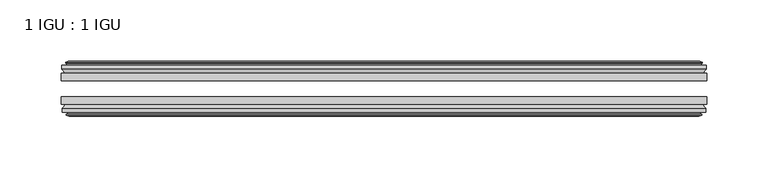
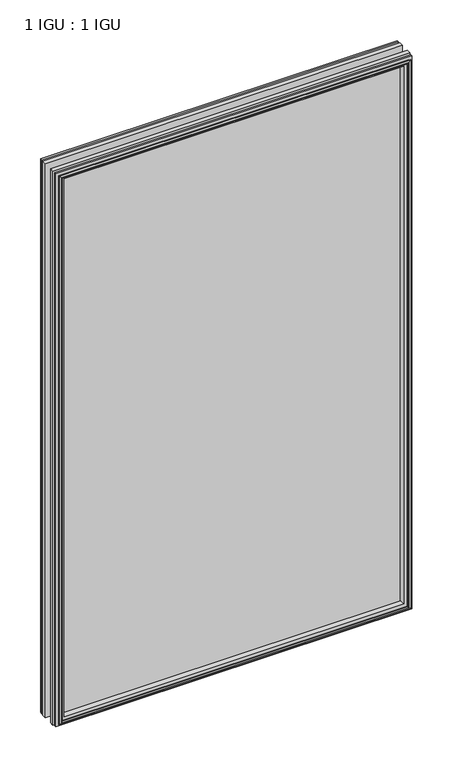
"""IFC4 building model written with IfcOpenShell, lengths in millimetres: plate geometry, 1 IGU : 1 IGU."""

from ifc_helpers import new_model, si_unit, frame, origin, place, context, project, spatial, polyline, outline, extrude, faceted_brep, source, transform, mapped, element, save


def plate_1_igu_1_igu_16c685db(model_context):
    return source(origin(), model_context, "Body", "SolidModel", [
        extrude(outline(polyline([(263.5317469, -25.8960937), (263.5317469, -32.2460938), (-263.5317469, -32.2460938), (-263.5317469, -25.8960937), (263.5317469, -25.8960937)])), frame((0.0, 0.0, -12.7), z_axis=(0.0, 0.0, 1.0), x_axis=(1.0, 0.0, 0.0)), (0.0, 0.0, 1.0), 863.6),
        extrude(outline(polyline([(-263.5317469, -51.2960938), (-263.5317469, -45.2686737), (263.5317469, -45.2686737), (263.5317469, -51.2960938), (-263.5317469, -51.2960938)])), frame((0.0, 0.0, -12.7), z_axis=(0.0, 0.0, 1.0), x_axis=(1.0, 0.0, 0.0)), (0.0, 0.0, 1.0), 863.6),
        faceted_brep([(-257.9437469, -60.0262907, 845.312), (-258.3247469, -57.6460937, 845.693), (-258.3247469, -57.6460937, -7.493), (-257.9437469, -60.0262907, -7.112), (-259.3592759, -59.5663575, 846.7275291), (-259.3592759, -59.5663575, -8.5275291), (-259.3592759, -60.3675717, 846.7275291), (-259.3592759, -60.3675717, -8.5275291), (-257.1817469, -61.0750937, 844.55), (-257.1817469, -61.0750937, -6.35), (-255.0042178, -60.3675717, 842.3724709), (-255.0042178, -60.3675717, -4.1724709), (-255.0042178, -59.5663575, 842.3724709), (-255.0042178, -59.5663575, -4.1724709), (-256.4197469, -60.0262907, 843.788), (-256.4197469, -60.0262907, -5.588), (-256.0387469, -57.6460937, 843.407), (-256.0387469, -57.6460937, -5.207), (-249.1140288, -51.2960937, 836.4822819), (-250.8317469, -57.6460937, 838.2), (-250.8317469, -57.6460937, 0.0), (-249.1140288, -51.2960937, 1.7177181), (-262.7697469, -54.6996937, 850.138), (-259.9354047, -51.2960937, 847.3036578), (-259.9354047, -51.2960937, -9.1036578), (-262.7697469, -54.6996937, -11.938), (-262.7697469, -57.6460937, 850.138), (-262.7697469, -57.6460937, -11.938), (258.3247469, -57.6460938, -7.493), (257.9437469, -60.0262907, -7.112), (259.3592759, -59.5663575, -8.5275291), (259.3592759, -60.3675717, -8.5275291), (257.1817469, -61.0750937, -6.35), (255.0042178, -60.3675717, -4.1724709), (255.0042178, -59.5663575, -4.1724709), (256.4197469, -60.0262907, -5.588), (256.0387469, -57.6460937, -5.207), (250.8317469, -57.6460937, 0.0), (249.1140288, -51.2960937, 1.7177181), (259.9354047, -51.2960937, -9.1036578), (262.7697469, -54.6996937, -11.938), (262.7697469, -57.6460938, -11.938), (258.3247469, -57.6460938, 845.693), (257.9437469, -60.0262907, 845.312), (259.3592759, -59.5663575, 846.7275291), (259.3592759, -60.3675717, 846.7275291), (257.1817469, -61.0750937, 844.55), (255.0042178, -60.3675717, 842.3724709), (255.0042178, -59.5663575, 842.3724709), (256.4197469, -60.0262907, 843.788), (256.0387469, -57.6460937, 843.407), (250.8317469, -57.6460937, 838.2), (249.1140288, -51.2960937, 836.4822819), (259.9354047, -51.2960937, 847.3036578), (262.7697469, -54.6996937, 850.138), (262.7697469, -57.6460938, 850.138)], [[[0, 1, 2, 3]], [[4, 0, 3, 5]], [[6, 4, 5, 7]], [[8, 6, 7, 9]], [[10, 8, 9, 11]], [[12, 10, 11, 13]], [[14, 12, 13, 15]], [[16, 14, 15, 17]], [[18, 19, 20, 21]], [[22, 23, 24, 25]], [[26, 22, 25, 27]], [[3, 2, 28, 29]], [[5, 3, 29, 30]], [[7, 5, 30, 31]], [[9, 7, 31, 32]], [[11, 9, 32, 33]], [[13, 11, 33, 34]], [[15, 13, 34, 35]], [[17, 15, 35, 36]], [[21, 20, 37, 38]], [[25, 24, 39, 40]], [[27, 25, 40, 41]], [[29, 28, 42, 43]], [[30, 29, 43, 44]], [[31, 30, 44, 45]], [[32, 31, 45, 46]], [[33, 32, 46, 47]], [[34, 33, 47, 48]], [[35, 34, 48, 49]], [[36, 35, 49, 50]], [[38, 37, 51, 52]], [[40, 39, 53, 54]], [[41, 40, 54, 55]], [[27, 41, 55, 26], [1, 42, 28, 2]], [[43, 42, 1, 0]], [[44, 43, 0, 4]], [[45, 44, 4, 6]], [[46, 45, 6, 8]], [[47, 46, 8, 10]], [[48, 47, 10, 12]], [[49, 48, 12, 14]], [[50, 49, 14, 16]], [[17, 36, 50, 16], [19, 51, 37, 20]], [[52, 51, 19, 18]], [[23, 53, 39, 24], [21, 38, 52, 18]], [[54, 53, 23, 22]], [[55, 54, 22, 26]]]),
        faceted_brep([(-260.4561047, -25.8960937, 847.8243578), (-263.2904469, -22.4924937, 850.6587), (-263.2904469, -22.4924937, -12.4587), (-260.4561047, -25.8960937, -9.6243578), (-251.3524469, -19.5460937, 838.7207), (-249.6347288, -25.8960937, 837.0029819), (-249.6347288, -25.8960937, 1.1970181), (-251.3524469, -19.5460937, -0.5207), (-256.9404469, -17.1658968, 844.3087), (-256.5594469, -19.5460937, 843.9277), (-256.5594469, -19.5460937, -5.7277), (-256.9404469, -17.1658968, -6.1087), (-255.5249178, -17.62583, 842.8931709), (-255.5249178, -17.62583, -4.6931709), (-255.5249178, -16.8246158, 842.8931709), (-255.5249178, -16.8246158, -4.6931709), (-257.7024469, -16.1170937, 845.0707), (-257.7024469, -16.1170937, -6.8707), (-259.8799759, -16.8246158, 847.2482291), (-259.8799759, -16.8246158, -9.0482291), (-259.8799759, -17.62583, 847.2482291), (-259.8799759, -17.62583, -9.0482291), (-258.4644469, -17.1658968, 845.8327), (-258.4644469, -17.1658968, -7.6327), (-258.8454469, -19.5460937, 846.2137), (-258.8454469, -19.5460937, -8.0137), (-263.2904469, -19.5460937, 850.6587), (-263.2904469, -19.5460937, -12.4587), (263.2904469, -22.4924937, -12.4587), (260.4561047, -25.8960937, -9.6243578), (249.6347288, -25.8960937, 1.1970181), (251.3524469, -19.5460937, -0.5207), (256.5594469, -19.5460937, -5.7277), (256.9404469, -17.1658968, -6.1087), (255.5249178, -17.62583, -4.6931709), (255.5249178, -16.8246158, -4.6931709), (257.7024469, -16.1170937, -6.8707), (259.8799759, -16.8246158, -9.0482291), (259.8799759, -17.62583, -9.0482291), (258.4644469, -17.1658968, -7.6327), (258.8454469, -19.5460937, -8.0137), (263.2904469, -19.5460937, -12.4587), (263.2904469, -22.4924937, 850.6587), (260.4561047, -25.8960937, 847.8243578), (249.6347288, -25.8960937, 837.0029819), (251.3524469, -19.5460937, 838.7207), (256.5594469, -19.5460937, 843.9277), (256.9404469, -17.1658968, 844.3087), (255.5249178, -17.62583, 842.8931709), (255.5249178, -16.8246158, 842.8931709), (257.7024469, -16.1170937, 845.0707), (259.8799759, -16.8246158, 847.2482291), (259.8799759, -17.62583, 847.2482291), (258.4644469, -17.1658968, 845.8327), (258.8454469, -19.5460937, 846.2137), (263.2904469, -19.5460937, 850.6587)], [[[0, 1, 2, 3]], [[4, 5, 6, 7]], [[8, 9, 10, 11]], [[12, 8, 11, 13]], [[14, 12, 13, 15]], [[16, 14, 15, 17]], [[18, 16, 17, 19]], [[20, 18, 19, 21]], [[22, 20, 21, 23]], [[24, 22, 23, 25]], [[1, 26, 27, 2]], [[3, 2, 28, 29]], [[7, 6, 30, 31]], [[11, 10, 32, 33]], [[13, 11, 33, 34]], [[15, 13, 34, 35]], [[17, 15, 35, 36]], [[19, 17, 36, 37]], [[21, 19, 37, 38]], [[23, 21, 38, 39]], [[25, 23, 39, 40]], [[2, 27, 41, 28]], [[29, 28, 42, 43]], [[31, 30, 44, 45]], [[33, 32, 46, 47]], [[34, 33, 47, 48]], [[35, 34, 48, 49]], [[36, 35, 49, 50]], [[37, 36, 50, 51]], [[38, 37, 51, 52]], [[39, 38, 52, 53]], [[40, 39, 53, 54]], [[28, 41, 55, 42]], [[43, 42, 1, 0]], [[3, 29, 43, 0], [5, 44, 30, 6]], [[45, 44, 5, 4]], [[9, 46, 32, 10], [7, 31, 45, 4]], [[47, 46, 9, 8]], [[48, 47, 8, 12]], [[49, 48, 12, 14]], [[50, 49, 14, 16]], [[51, 50, 16, 18]], [[52, 51, 18, 20]], [[53, 52, 20, 22]], [[54, 53, 22, 24]], [[26, 55, 41, 27], [25, 40, 54, 24]], [[42, 55, 26, 1]]]),
    ])


if __name__ == "__main__":
    model = new_model("IFC4")
    model_context = context("Model", 3, world=origin())
    ifc_project = project(units=[si_unit("LENGTHUNIT", "METRE", prefix="MILLI")], contexts=[model_context])
    site = spatial("IfcSite", under=ifc_project)
    building = spatial("IfcBuilding", under=site)
    placement = place(None, origin())
    plate_1_igu_1_igu_shape = plate_1_igu_1_igu_16c685db(model_context)
    element("IfcPlate", 1, ObjectType="1 IGU : 1 IGU", at=placement, inside=building, context=model_context, shape_type="MappedRepresentation", body=[
        mapped(plate_1_igu_1_igu_shape, transform((0.0, 0.0, 0.0), x_axis=(1.0, 0.0, 0.0), y_axis=(0.0, 1.0, 0.0), z_axis=(0.0, 0.0, 1.0))),
    ])
    save(model, "model.ifc")
